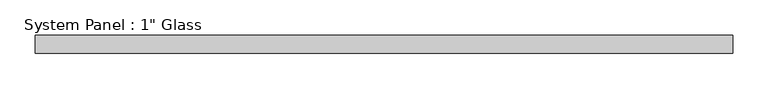
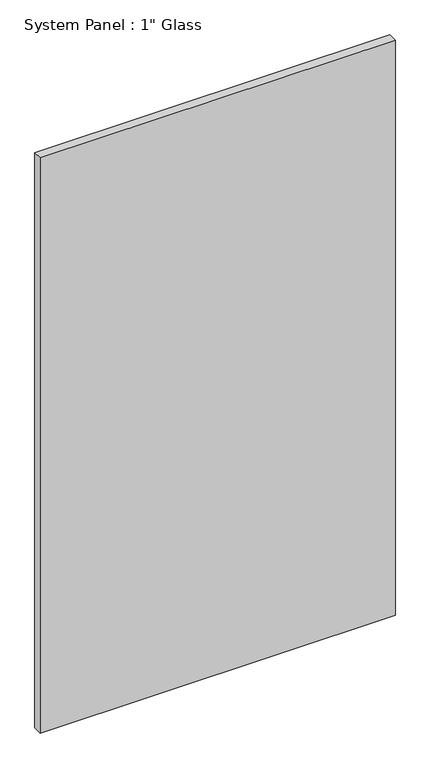
"""IFC4 building model written with IfcOpenShell, lengths in millimetres: plate geometry."""

import ifcopenshell
import ifcopenshell.guid

model = None  # the IFC model being written
_history = None  # IfcOwnerHistory: only IFC2X3 demands one
_inside = {}  # id of a spatial element -> (the spatial element, [elements in it])
_under = {}  # id of a project, library or spatial element -> (it, [spatial elements below it])
_declared = {}  # id of a project -> (the project, [libraries it declares])
_typed = {}  # id of a type object -> (the type object, [elements of that type])
_made_of = {}  # id of a material, layer set ... -> (it, [elements and type objects made of it])


def new_model(schema):
    """Start an empty IFC model of exactly this schema.

    Asked for "IFC4X3", IfcOpenShell would pick the latest addendum, in which some entities
    have other attributes; the version numbers below select the first issue.
    IFC2X3 requires an IfcOwnerHistory on every rooted entity: one is made here for all.
    """
    global model, _history
    if schema == "IFC4X3":
        model = ifcopenshell.file(schema_version=(4, 3, 0, 0))
    else:
        model = ifcopenshell.file(schema=schema)
    _inside.clear()
    _under.clear()
    _declared.clear()
    _typed.clear()
    _made_of.clear()
    _history = None
    if model.schema == "IFC2X3":
        org = make("IfcOrganization", Name="unknown")
        user = make(
            "IfcPersonAndOrganization",
            ThePerson=make("IfcPerson", FamilyName="unknown"),
            TheOrganization=org,
        )
        app = make(
            "IfcApplication",
            ApplicationDeveloper=org,
            Version="unknown",
            ApplicationFullName="unknown",
            ApplicationIdentifier="unknown",
        )
        _history = make(
            "IfcOwnerHistory",
            OwningUser=user,
            OwningApplication=app,
            ChangeAction="ADDED",
            CreationDate=0,
        )
    return model


def make(cls, **values):
    """One entity of the class cls with the attributes given. An attribute that is None is left unset."""
    return model.create_entity(
        cls, **{name: value for name, value in values.items() if value is not None}
    )


def rooted(cls, **values):
    """An entity with a GlobalId (a new one), such as an element, a storey or a relation."""
    return make(cls, GlobalId=ifcopenshell.guid.new(), OwnerHistory=_history, **values)


def si_unit(unit_type, name, prefix=None):
    """IfcSIUnit, for example si_unit("LENGTHUNIT", "METRE", prefix="MILLI")."""
    return make("IfcSIUnit", UnitType=unit_type, Prefix=prefix, Name=name)


def assignment(units):
    """IfcUnitAssignment: the units of a project."""
    return None if units is None else make("IfcUnitAssignment", Units=units)


def point(xyz):
    """IfcCartesianPoint."""
    return None if xyz is None else make("IfcCartesianPoint", Coordinates=xyz)


def direction(xyz):
    """IfcDirection."""
    return None if xyz is None else make("IfcDirection", DirectionRatios=xyz)


def frame(location, z_axis=None, x_axis=None):
    """IfcAxis2Placement3D, a coordinate frame: its origin and axes. An axis left out is left unset."""
    return make(
        "IfcAxis2Placement3D",
        Location=point(location),
        Axis=direction(z_axis),
        RefDirection=direction(x_axis),
    )


def origin():
    """The frame at (0, 0, 0) with its axes left unset."""
    return frame((0.0, 0.0, 0.0))


def origin_with_axes():
    """The frame at (0, 0, 0) with the z axis (0, 0, 1) and the x axis (1, 0, 0) written out."""
    return frame((0.0, 0.0, 0.0), z_axis=(0.0, 0.0, 1.0), x_axis=(1.0, 0.0, 0.0))


def place(relative_to, where):
    """IfcLocalPlacement: puts the frame where relative to a parent placement (None: the world)."""
    return make(
        "IfcLocalPlacement", PlacementRelTo=relative_to, RelativePlacement=where
    )


def context(
    kind, dimensions, precision=None, world=None, true_north=None, identifier=None
):
    """IfcGeometricRepresentationContext, for example the 3D "Model" context."""
    return make(
        "IfcGeometricRepresentationContext",
        ContextIdentifier=identifier,
        ContextType=kind,
        CoordinateSpaceDimension=dimensions,
        Precision=precision,
        WorldCoordinateSystem=world,
        TrueNorth=true_north,
    )


def project(units=None, contexts=None):
    """IfcProject with its units and contexts."""
    return rooted(
        "IfcProject",
        Name="project",
        RepresentationContexts=contexts,
        UnitsInContext=assignment(units),
    )


def spatial(cls, under=None, at=None, **own):
    """A site, building, storey or space (cls), placed at a placement, below another one or the project."""
    s = rooted(cls, ObjectPlacement=at, **own)
    if under is not None:
        _under.setdefault(under.id(), (under, []))[1].append(s)
    return s


def polyline(points):
    """IfcPolyline through the points."""
    return make("IfcPolyline", Points=[point(p) for p in points])


def outline(outer, holes=None, kind="AREA"):
    """IfcArbitraryClosedProfileDef: a profile drawn as a closed curve; with holes, ...WithVoids."""
    if holes is None:
        return make("IfcArbitraryClosedProfileDef", ProfileType=kind, OuterCurve=outer)
    return make(
        "IfcArbitraryProfileDefWithVoids",
        ProfileType=kind,
        OuterCurve=outer,
        InnerCurves=holes,
    )


def extrude(swept, where, along, depth):
    """IfcExtrudedAreaSolid: the profile swept, set in the frame where, extruded along a direction by depth."""
    return make(
        "IfcExtrudedAreaSolid",
        SweptArea=swept,
        Position=where,
        ExtrudedDirection=direction(along),
        Depth=depth,
    )


def shape(context_of_items, identifier, shape_type, items):
    """IfcShapeRepresentation: the items that make up one representation, for example the "Body"."""
    return make(
        "IfcShapeRepresentation",
        ContextOfItems=context_of_items,
        RepresentationIdentifier=identifier,
        RepresentationType=shape_type,
        Items=items,
    )


def source(mapping_origin, context_of_items, identifier, shape_type, items):
    """IfcRepresentationMap: a shape defined once, which mapped items show again and again."""
    return make(
        "IfcRepresentationMap",
        MappingOrigin=mapping_origin,
        MappedRepresentation=shape(context_of_items, identifier, shape_type, items),
    )


def transform(
    local_origin,
    x_axis=None,
    y_axis=None,
    z_axis=None,
    scale=None,
    scale2=None,
    scale3=None,
    uniform=True,
):
    """IfcCartesianTransformationOperator3D, or its non-uniform kind. x_axis, y_axis, z_axis: its Axis1, 2, 3."""
    if uniform:
        return make(
            "IfcCartesianTransformationOperator3D",
            Axis1=direction(x_axis),
            Axis2=direction(y_axis),
            LocalOrigin=point(local_origin),
            Scale=scale,
            Axis3=direction(z_axis),
        )
    return make(
        "IfcCartesianTransformationOperator3DnonUniform",
        Axis1=direction(x_axis),
        Axis2=direction(y_axis),
        LocalOrigin=point(local_origin),
        Scale=scale,
        Axis3=direction(z_axis),
        Scale2=scale2,
        Scale3=scale3,
    )


def mapped(mapping_source, mapping_target):
    """IfcMappedItem: shows the shape of a source again, moved by a transform."""
    return make(
        "IfcMappedItem", MappingSource=mapping_source, MappingTarget=mapping_target
    )


def made_of(thing, what):
    """Note that an element or type object is made of a material, layer set ...; save() writes the relation."""
    if what is not None:
        _made_of.setdefault(what.id(), (what, []))[1].append(thing)
    return thing


def element(
    cls,
    number,
    at=None,
    inside=None,
    cuts=None,
    type_object=None,
    material=None,
    context=None,
    identifier="Body",
    shape_type=None,
    held_by="IfcProductDefinitionShape",
    body=None,
    shapes=None,
    **own,
):
    """One element of the class cls, such as IfcWall. Its Tag is "e" and its number.

    at: its placement. inside: the storey or other place that contains it. cuts: it is an
    opening in that element (IfcRelVoidsElement). A single representation is given by context,
    identifier, shape_type and body (its items); several are given by shapes. held_by: the class
    of the entity that holds the representations. save() writes the other relations.
    """
    e = rooted(cls, Tag="e%d" % number, ObjectPlacement=at, **own)
    if body is not None:
        shapes = [shape(context, identifier, shape_type, body)]
    if shapes is not None:
        e.Representation = make(held_by, Representations=shapes)
    if inside is not None:
        _inside.setdefault(inside.id(), (inside, []))[1].append(e)
    if cuts is not None:
        rooted(
            "IfcRelVoidsElement", RelatingBuildingElement=cuts, RelatedOpeningElement=e
        )
    if type_object is not None:
        _typed.setdefault(type_object.id(), (type_object, []))[1].append(e)
    return made_of(e, material)


def aggregate(whole, parts):
    """IfcRelAggregates: a whole, such as a stair, and the parts it consists of."""
    return rooted("IfcRelAggregates", RelatingObject=whole, RelatedObjects=parts)


def save(model, path):
    """Write the relations noted so far, then the file.

    IfcRelAggregates (storeys below a building ...), IfcRelContainedInSpatialStructure (elements
    in a storey), IfcRelDefinesByType, IfcRelAssociatesMaterial and IfcRelDeclares: one each for
    every whole, place, type object, material and project.
    """
    for whole, parts in _under.values():
        aggregate(whole, parts)
    for where, things in _inside.values():
        rooted(
            "IfcRelContainedInSpatialStructure",
            RelatedElements=things,
            RelatingStructure=where,
        )
    for kind, things in _typed.values():
        rooted("IfcRelDefinesByType", RelatedObjects=things, RelatingType=kind)
    for what, things in _made_of.values():
        rooted("IfcRelAssociatesMaterial", RelatedObjects=things, RelatingMaterial=what)
    for by, libraries in _declared.values():
        rooted("IfcRelDeclares", RelatingContext=by, RelatedDefinitions=libraries)
    model.write(path)


def plate_6436051d(model_context):
    return source(origin(), model_context, "Body", "SweptSolid", [
        extrude(outline(polyline([(495.3, -12.7), (-495.3, -12.7), (-495.3, 12.7), (495.3, 12.7), (495.3, -12.7)])), origin_with_axes(), (0.0, 0.0, 1.0), 1695.45),
    ])


if __name__ == "__main__":
    model = new_model("IFC4")
    model_context = context("Model", 3, world=origin())
    ifc_project = project(units=[si_unit("LENGTHUNIT", "METRE", prefix="MILLI")], contexts=[model_context])
    site = spatial("IfcSite", under=ifc_project)
    building = spatial("IfcBuilding", under=site)
    placement = place(None, origin())
    plate_shape = plate_6436051d(model_context)
    element("IfcPlate", 1, ObjectType="System Panel : 1\" Glass", at=placement, inside=building, context=model_context, shape_type="MappedRepresentation", body=[
        mapped(plate_shape, transform((0.0, 0.0, 0.0), x_axis=(1.0, 0.0, 0.0), y_axis=(0.0, 1.0, 0.0), z_axis=(0.0, 0.0, 1.0))),
    ])
    save(model, "model.ifc")
